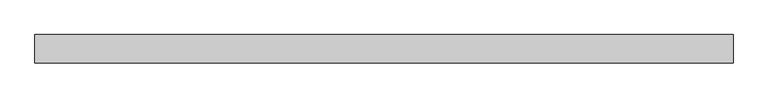
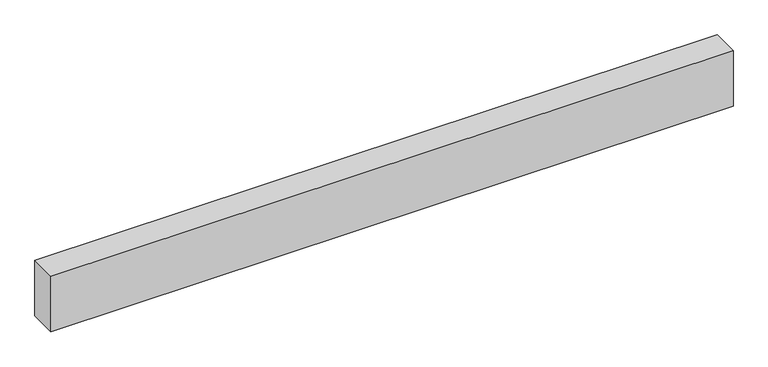
"""IFC4 building model written with IfcOpenShell, lengths in millimetres: beam geometry."""

from ifc_helpers import new_model, si_unit, frame, origin, place, context, project, spatial, polyline, outline, extrude, source, transform, mapped, element, save


def beam_d70c8161(model_context):
    return source(origin(), model_context, "Body", "SweptSolid", [
        extrude(outline(polyline([(4291.6599029, 180.975), (4291.6599029, -180.975), (-4572.0, -180.975), (-4572.0, 180.975), (4291.6599029, 180.975)])), frame((0.0, 0.0, -381.0), z_axis=(0.0, 0.0, 1.0), x_axis=(1.0, 0.0, 0.0)), (0.0, 0.0, 1.0), 762.0),
    ])


if __name__ == "__main__":
    model = new_model("IFC4")
    model_context = context("Model", 3, world=origin())
    ifc_project = project(units=[si_unit("LENGTHUNIT", "METRE", prefix="MILLI")], contexts=[model_context])
    site = spatial("IfcSite", under=ifc_project)
    building = spatial("IfcBuilding", under=site)
    placement = place(None, origin())
    beam_shape = beam_d70c8161(model_context)
    element("IfcBeam", 1, at=placement, inside=building, context=model_context, shape_type="MappedRepresentation", body=[
        mapped(beam_shape, transform((0.0, 0.0, 0.0), x_axis=(1.0, 0.0, 0.0), y_axis=(0.0, 1.0, 0.0), z_axis=(0.0, 0.0, 1.0))),
    ])
    save(model, "model.ifc")
